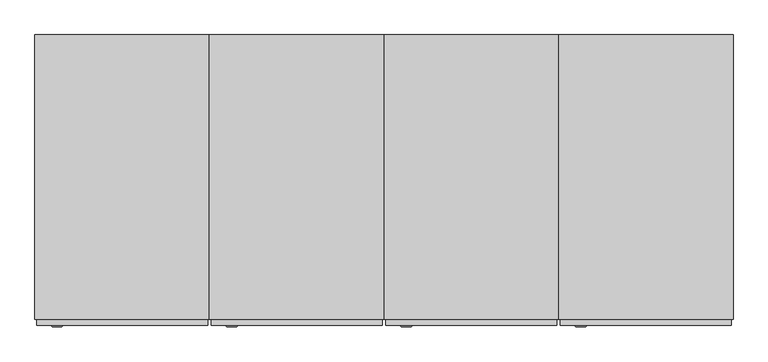
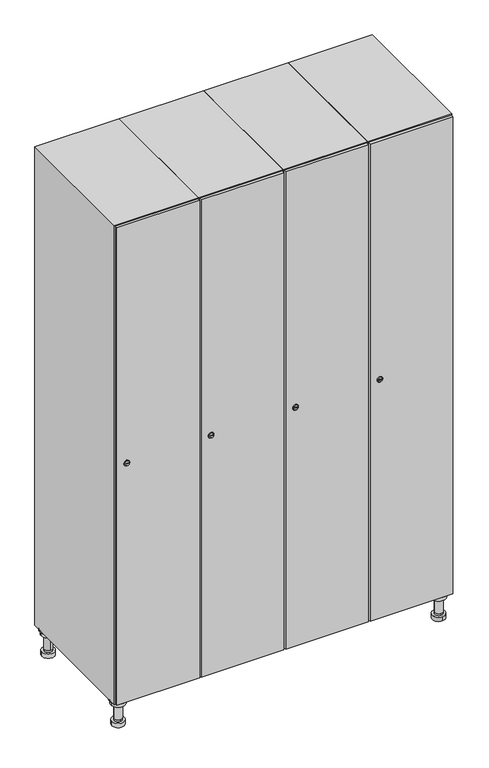
"""IFC4 building model written with IfcOpenShell, lengths in millimetres: furniture geometry."""

from ifc_helpers import new_model, si_unit, point, frame, frame_2d, origin, place, context, project, spatial, polyline, circle_curve, trimmed, segment, composite_curve, outline, extrude, faceted_brep, source, transform, mapped, element, save
from ifc_brep_helpers import plane_surface, cylinder_surface, revolved_surface, advanced_brep


def furniture_1c0e90e3(model_context):
    return source(origin(), model_context, "Body", "SolidModel", [
        advanced_brep(
        [(970.0, -201.0, 22.0), (970.0, -201.5, 16.0), (970.0, -228.5, 16.0), (970.0, -229.0, 22.0), (956.0, -215.0, 22.0), (984.0, -215.0, 22.0), (970.0, -192.5, 16.0), (970.0, -237.5, 16.0), (970.0, -192.5, 0.0), (970.0, -237.5, 0.0), (984.0, -215.0, 78.0), (956.0, -215.0, 78.0), (995.0, -215.0, 78.0), (945.0, -215.0, 78.0), (1000.0, -215.0, 94.0), (940.0, -215.0, 94.0), (945.0, -215.0, 94.0), (995.0, -215.0, 94.0), (1000.0, -215.0, 100.0), (940.0, -215.0, 100.0)],
        [
            (0, 1),
            (1, 2, circle_curve(frame((970.0, -215.0, 16.0), z_axis=(0.0, 0.0, 1.0), x_axis=(0.0, -1.0, 0.0)), 13.5)),
            (2, 3),
            (3, 4, circle_curve(frame((970.0, -215.0, 22.0), z_axis=(0.0, 0.0, -1.0), x_axis=(0.0, -1.0, 0.0)), 14.0)),
            (4, 0, circle_curve(frame((970.0, -215.0, 22.0), z_axis=(0.0, 0.0, -1.0), x_axis=(0.0, -1.0, 0.0)), 14.0)),
            (0, 5, circle_curve(frame((970.0, -215.0, 22.0), z_axis=(0.0, 0.0, -1.0), x_axis=(0.0, 1.0, 0.0)), 14.0)),
            (5, 3, circle_curve(frame((970.0, -215.0, 22.0), z_axis=(0.0, 0.0, -1.0), x_axis=(0.0, 1.0, 0.0)), 14.0)),
            (2, 1, circle_curve(frame((970.0, -215.0, 16.0), z_axis=(0.0, 0.0, 1.0), x_axis=(0.0, 1.0, 0.0)), 13.5)),
            (6, 7, circle_curve(frame((970.0, -215.0, 16.0), z_axis=(0.0, 0.0, 1.0), x_axis=(0.0, -1.0, 0.0)), 22.5)),
            (7, 6, circle_curve(frame((970.0, -215.0, 16.0), z_axis=(0.0, 0.0, 1.0), x_axis=(0.0, -1.0, 0.0)), 22.5)),
            (8, 9, circle_curve(frame((970.0, -215.0, 0.0), z_axis=(0.0, 0.0, -1.0), x_axis=(0.0, -1.0, 0.0)), 22.5)),
            (9, 8, circle_curve(frame((970.0, -215.0, 0.0), z_axis=(0.0, 0.0, -1.0), x_axis=(0.0, -1.0, 0.0)), 22.5)),
            (6, 8),
            (9, 7),
            (5, 10),
            (10, 11, circle_curve(frame((970.0, -215.0, 78.0), z_axis=(0.0, 0.0, -1.0), x_axis=(-1.0, 0.0, 0.0)), 14.0)),
            (11, 4),
            (11, 10, circle_curve(frame((970.0, -215.0, 78.0), z_axis=(0.0, 0.0, -1.0), x_axis=(-1.0, 0.0, 0.0)), 14.0)),
            (12, 13, circle_curve(frame((970.0, -215.0, 78.0), z_axis=(0.0, 0.0, -1.0), x_axis=(-1.0, 0.0, 0.0)), 25.0)),
            (13, 12, circle_curve(frame((970.0, -215.0, 78.0), z_axis=(0.0, 0.0, -1.0), x_axis=(-1.0, 0.0, 0.0)), 25.0)),
            (14, 15, circle_curve(frame((970.0, -215.0, 94.0), z_axis=(0.0, 0.0, -1.0), x_axis=(-1.0, 0.0, 0.0)), 30.0)),
            (15, 14, circle_curve(frame((970.0, -215.0, 94.0), z_axis=(0.0, 0.0, -1.0), x_axis=(-1.0, 0.0, 0.0)), 30.0)),
            (16, 17, circle_curve(frame((970.0, -215.0, 94.0), z_axis=(0.0, 0.0, 1.0), x_axis=(-1.0, 0.0, 0.0)), 25.0)),
            (17, 16, circle_curve(frame((970.0, -215.0, 94.0), z_axis=(0.0, 0.0, 1.0), x_axis=(-1.0, 0.0, 0.0)), 25.0)),
            (18, 19, circle_curve(frame((970.0, -215.0, 100.0), z_axis=(0.0, 0.0, 1.0), x_axis=(-1.0, 0.0, 0.0)), 30.0)),
            (19, 18, circle_curve(frame((970.0, -215.0, 100.0), z_axis=(0.0, 0.0, 1.0), x_axis=(-1.0, 0.0, 0.0)), 30.0)),
            (14, 18),
            (19, 15),
            (12, 17),
            (16, 13),
        ],
        [
            revolved_surface(polyline([(970.0, -201.5, 16.0), (970.0, -201.0, 22.0)]), (970.0, -215.0, -146.0), (0.0, 0.0, 1.0)),
            plane_surface(frame((970.0, 0.0, 16.0), z_axis=(0.0, 0.0, 1.0), x_axis=(0.0, -1.0, 0.0))),
            plane_surface(frame((970.0, 0.0, 0.0), z_axis=(0.0, 0.0, -1.0), x_axis=(0.0, -1.0, 0.0))),
            cylinder_surface(frame((970.0, -215.0, 16.0), z_axis=(0.0, 0.0, 1.0), x_axis=(0.0, -1.0, 0.0)), 22.5),
            cylinder_surface(frame((970.0, -215.0, 22.0), z_axis=(0.0, 0.0, -1.0), x_axis=(-1.0, 0.0, 0.0)), 14.0),
            plane_surface(frame((970.0, 0.0, 78.0), z_axis=(0.0, 0.0, -1.0), x_axis=(0.0, -1.0, 0.0))),
            plane_surface(frame((970.0, 0.0, 94.0), z_axis=(0.0, 0.0, -1.0), x_axis=(0.0, -1.0, 0.0))),
            plane_surface(frame((970.0, 0.0, 100.0), z_axis=(0.0, 0.0, 1.0), x_axis=(0.0, -1.0, 0.0))),
            cylinder_surface(frame((970.0, -215.0, 94.0), z_axis=(0.0, 0.0, -1.0), x_axis=(-1.0, 0.0, 0.0)), 30.0),
            cylinder_surface(frame((970.0, -215.0, 78.0), z_axis=(0.0, 0.0, -1.0), x_axis=(-1.0, 0.0, 0.0)), 25.0),
        ],
        [
            (0, [[1, 2, 3, 4, 5]]),
            (0, [[-1, 6, 7, -3, 8]]),
            (1, [[9, 10], [-2, -8]]),
            (2, [[11, 12]]),
            (3, [[-9, 13, -12, 14]]),
            (3, [[-10, -14, -11, -13]]),
            (4, [[15, 16, 17, -4, -7]]),
            (4, [[-15, -6, -5, -17, 18]]),
            (5, [[19, 20], [-16, -18]]),
            (6, [[21, 22], [23, 24]]),
            (7, [[25, 26]]),
            (8, [[-21, 27, -26, 28]]),
            (8, [[-22, -28, -25, -27]]),
            (9, [[-19, 29, -23, 30]]),
            (9, [[-20, -30, -24, -29]]),
        ],
    ),
        advanced_brep(
        [(-170.0, -201.0, 22.0), (-170.0, -201.5, 16.0), (-170.0, -228.5, 16.0), (-170.0, -229.0, 22.0), (-184.0, -215.0, 22.0), (-156.0, -215.0, 22.0), (-147.5, -215.0, 0.0), (-192.5, -215.0, 0.0), (-147.5, -215.0, 16.0), (-192.5, -215.0, 16.0), (-156.0, -215.0, 78.0), (-184.0, -215.0, 78.0), (-145.0, -215.0, 78.0), (-195.0, -215.0, 78.0), (-140.0, -215.0, 94.0), (-200.0, -215.0, 94.0), (-195.0, -215.0, 94.0), (-145.0, -215.0, 94.0), (-140.0, -215.0, 100.0), (-200.0, -215.0, 100.0)],
        [
            (0, 1),
            (1, 2, circle_curve(frame((-170.0, -215.0, 16.0), z_axis=(0.0, 0.0, 1.0), x_axis=(0.0, -1.0, 0.0)), 13.5)),
            (2, 3),
            (3, 4, circle_curve(frame((-170.0, -215.0, 22.0), z_axis=(0.0, 0.0, -1.0), x_axis=(0.0, -1.0, 0.0)), 14.0)),
            (4, 0, circle_curve(frame((-170.0, -215.0, 22.0), z_axis=(0.0, 0.0, -1.0), x_axis=(0.0, -1.0, 0.0)), 14.0)),
            (0, 5, circle_curve(frame((-170.0, -215.0, 22.0), z_axis=(0.0, 0.0, -1.0), x_axis=(0.0, 1.0, 0.0)), 14.0)),
            (5, 3, circle_curve(frame((-170.0, -215.0, 22.0), z_axis=(0.0, 0.0, -1.0), x_axis=(0.0, 1.0, 0.0)), 14.0)),
            (2, 1, circle_curve(frame((-170.0, -215.0, 16.0), z_axis=(0.0, 0.0, 1.0), x_axis=(0.0, 1.0, 0.0)), 13.5)),
            (6, 7, circle_curve(frame((-170.0, -215.0, 0.0), z_axis=(0.0, 0.0, -1.0), x_axis=(-1.0, 0.0, 0.0)), 22.5)),
            (7, 6, circle_curve(frame((-170.0, -215.0, 0.0), z_axis=(0.0, 0.0, -1.0), x_axis=(-1.0, 0.0, 0.0)), 22.5)),
            (8, 9, circle_curve(frame((-170.0, -215.0, 16.0), z_axis=(0.0, 0.0, 1.0), x_axis=(-1.0, 0.0, 0.0)), 22.5)),
            (9, 8, circle_curve(frame((-170.0, -215.0, 16.0), z_axis=(0.0, 0.0, 1.0), x_axis=(-1.0, 0.0, 0.0)), 22.5)),
            (6, 8),
            (9, 7),
            (5, 10),
            (10, 11, circle_curve(frame((-170.0, -215.0, 78.0), z_axis=(0.0, 0.0, -1.0), x_axis=(-1.0, 0.0, 0.0)), 14.0)),
            (11, 4),
            (11, 10, circle_curve(frame((-170.0, -215.0, 78.0), z_axis=(0.0, 0.0, -1.0), x_axis=(-1.0, 0.0, 0.0)), 14.0)),
            (12, 13, circle_curve(frame((-170.0, -215.0, 78.0), z_axis=(0.0, 0.0, -1.0), x_axis=(-1.0, 0.0, 0.0)), 25.0)),
            (13, 12, circle_curve(frame((-170.0, -215.0, 78.0), z_axis=(0.0, 0.0, -1.0), x_axis=(-1.0, 0.0, 0.0)), 25.0)),
            (14, 15, circle_curve(frame((-170.0, -215.0, 94.0), z_axis=(0.0, 0.0, -1.0), x_axis=(-1.0, 0.0, 0.0)), 30.0)),
            (15, 14, circle_curve(frame((-170.0, -215.0, 94.0), z_axis=(0.0, 0.0, -1.0), x_axis=(-1.0, 0.0, 0.0)), 30.0)),
            (16, 17, circle_curve(frame((-170.0, -215.0, 94.0), z_axis=(0.0, 0.0, 1.0), x_axis=(-1.0, 0.0, 0.0)), 25.0)),
            (17, 16, circle_curve(frame((-170.0, -215.0, 94.0), z_axis=(0.0, 0.0, 1.0), x_axis=(-1.0, 0.0, 0.0)), 25.0)),
            (18, 19, circle_curve(frame((-170.0, -215.0, 100.0), z_axis=(0.0, 0.0, 1.0), x_axis=(-1.0, 0.0, 0.0)), 30.0)),
            (19, 18, circle_curve(frame((-170.0, -215.0, 100.0), z_axis=(0.0, 0.0, 1.0), x_axis=(-1.0, 0.0, 0.0)), 30.0)),
            (14, 18),
            (19, 15),
            (12, 17),
            (16, 13),
        ],
        [
            revolved_surface(polyline([(-170.0, -201.5, 16.0), (-170.0, -201.0, 22.0)]), (-170.0, -215.0, -146.0), (0.0, 0.0, 1.0)),
            plane_surface(frame((-170.0, 0.0, 0.0), z_axis=(0.0, 0.0, -1.0), x_axis=(0.0, -1.0, 0.0))),
            plane_surface(frame((-170.0, 0.0, 16.0), z_axis=(0.0, 0.0, 1.0), x_axis=(0.0, -1.0, 0.0))),
            cylinder_surface(frame((-170.0, -215.0, 0.0), z_axis=(0.0, 0.0, -1.0), x_axis=(-1.0, 0.0, 0.0)), 22.5),
            cylinder_surface(frame((-170.0, -215.0, 22.0), z_axis=(0.0, 0.0, -1.0), x_axis=(-1.0, 0.0, 0.0)), 14.0),
            plane_surface(frame((-170.0, 0.0, 78.0), z_axis=(0.0, 0.0, -1.0), x_axis=(0.0, -1.0, 0.0))),
            plane_surface(frame((-170.0, 0.0, 94.0), z_axis=(0.0, 0.0, -1.0), x_axis=(0.0, -1.0, 0.0))),
            plane_surface(frame((-170.0, 0.0, 100.0), z_axis=(0.0, 0.0, 1.0), x_axis=(0.0, -1.0, 0.0))),
            cylinder_surface(frame((-170.0, -215.0, 94.0), z_axis=(0.0, 0.0, -1.0), x_axis=(-1.0, 0.0, 0.0)), 30.0),
            cylinder_surface(frame((-170.0, -215.0, 78.0), z_axis=(0.0, 0.0, -1.0), x_axis=(-1.0, 0.0, 0.0)), 25.0),
        ],
        [
            (0, [[1, 2, 3, 4, 5]]),
            (0, [[-1, 6, 7, -3, 8]]),
            (1, [[9, 10]]),
            (2, [[11, 12], [-2, -8]]),
            (3, [[-9, 13, -12, 14]]),
            (3, [[-10, -14, -11, -13]]),
            (4, [[15, 16, 17, -4, -7]]),
            (4, [[-15, -6, -5, -17, 18]]),
            (5, [[19, 20], [-16, -18]]),
            (6, [[21, 22], [23, 24]]),
            (7, [[25, 26]]),
            (8, [[-21, 27, -26, 28]]),
            (8, [[-22, -28, -25, -27]]),
            (9, [[-19, 29, -23, 30]]),
            (9, [[-20, -30, -24, -29]]),
        ],
    ),
        advanced_brep(
        [(983.5, 215.0, 16.0), (984.0, 215.0, 22.0), (956.0, 215.0, 22.0), (956.5, 215.0, 16.0), (992.5, 215.0, 0.0), (947.5, 215.0, 0.0), (992.5, 215.0, 16.0), (947.5, 215.0, 16.0), (984.0, 215.0, 78.0), (956.0, 215.0, 78.0), (995.0, 215.0, 78.0), (945.0, 215.0, 78.0), (1000.0, 215.0, 94.0), (940.0, 215.0, 94.0), (945.0, 215.0, 94.0), (995.0, 215.0, 94.0), (1000.0, 215.0, 100.0), (940.0, 215.0, 100.0)],
        [
            (0, 1),
            (1, 2, circle_curve(frame((970.0, 215.0, 22.0), z_axis=(0.0, 0.0, -1.0), x_axis=(-1.0, 0.0, 0.0)), 14.0)),
            (2, 3),
            (3, 0, circle_curve(frame((970.0, 215.0, 16.0), z_axis=(0.0, 0.0, 1.0), x_axis=(-1.0, 0.0, 0.0)), 13.5)),
            (0, 3, circle_curve(frame((970.0, 215.0, 16.0), z_axis=(0.0, 0.0, 1.0), x_axis=(1.0, 0.0, 0.0)), 13.5)),
            (2, 1, circle_curve(frame((970.0, 215.0, 22.0), z_axis=(0.0, 0.0, -1.0), x_axis=(1.0, 0.0, 0.0)), 14.0)),
            (4, 5, circle_curve(frame((970.0, 215.0, 0.0), z_axis=(0.0, 0.0, -1.0), x_axis=(-1.0, 0.0, 0.0)), 22.5)),
            (5, 4, circle_curve(frame((970.0, 215.0, 0.0), z_axis=(0.0, 0.0, -1.0), x_axis=(-1.0, 0.0, 0.0)), 22.5)),
            (6, 7, circle_curve(frame((970.0, 215.0, 16.0), z_axis=(0.0, 0.0, 1.0), x_axis=(-1.0, 0.0, 0.0)), 22.5)),
            (7, 6, circle_curve(frame((970.0, 215.0, 16.0), z_axis=(0.0, 0.0, 1.0), x_axis=(-1.0, 0.0, 0.0)), 22.5)),
            (4, 6),
            (7, 5),
            (1, 8),
            (8, 9, circle_curve(frame((970.0, 215.0, 78.0), z_axis=(0.0, 0.0, -1.0), x_axis=(-1.0, 0.0, 0.0)), 14.0)),
            (9, 2),
            (9, 8, circle_curve(frame((970.0, 215.0, 78.0), z_axis=(0.0, 0.0, -1.0), x_axis=(-1.0, 0.0, 0.0)), 14.0)),
            (10, 11, circle_curve(frame((970.0, 215.0, 78.0), z_axis=(0.0, 0.0, -1.0), x_axis=(-1.0, 0.0, 0.0)), 25.0)),
            (11, 10, circle_curve(frame((970.0, 215.0, 78.0), z_axis=(0.0, 0.0, -1.0), x_axis=(-1.0, 0.0, 0.0)), 25.0)),
            (12, 13, circle_curve(frame((970.0, 215.0, 94.0), z_axis=(0.0, 0.0, -1.0), x_axis=(-1.0, 0.0, 0.0)), 30.0)),
            (13, 12, circle_curve(frame((970.0, 215.0, 94.0), z_axis=(0.0, 0.0, -1.0), x_axis=(-1.0, 0.0, 0.0)), 30.0)),
            (14, 15, circle_curve(frame((970.0, 215.0, 94.0), z_axis=(0.0, 0.0, 1.0), x_axis=(-1.0, 0.0, 0.0)), 25.0)),
            (15, 14, circle_curve(frame((970.0, 215.0, 94.0), z_axis=(0.0, 0.0, 1.0), x_axis=(-1.0, 0.0, 0.0)), 25.0)),
            (16, 17, circle_curve(frame((970.0, 215.0, 100.0), z_axis=(0.0, 0.0, 1.0), x_axis=(-1.0, 0.0, 0.0)), 30.0)),
            (17, 16, circle_curve(frame((970.0, 215.0, 100.0), z_axis=(0.0, 0.0, 1.0), x_axis=(-1.0, 0.0, 0.0)), 30.0)),
            (12, 16),
            (17, 13),
            (10, 15),
            (14, 11),
        ],
        [
            revolved_surface(polyline([(983.5, 215.0, 16.0), (984.0, 215.0, 22.0)]), (970.0, 215.0, -146.0), (0.0, 0.0, 1.0)),
            plane_surface(frame((970.0, 0.0, 0.0), z_axis=(0.0, 0.0, -1.0), x_axis=(0.0, -1.0, 0.0))),
            plane_surface(frame((970.0, 0.0, 16.0), z_axis=(0.0, 0.0, 1.0), x_axis=(0.0, -1.0, 0.0))),
            cylinder_surface(frame((970.0, 215.0, 0.0), z_axis=(0.0, 0.0, -1.0), x_axis=(-1.0, 0.0, 0.0)), 22.5),
            cylinder_surface(frame((970.0, 215.0, 22.0), z_axis=(0.0, 0.0, -1.0), x_axis=(-1.0, 0.0, 0.0)), 14.0),
            plane_surface(frame((970.0, 0.0, 78.0), z_axis=(0.0, 0.0, -1.0), x_axis=(0.0, -1.0, 0.0))),
            plane_surface(frame((970.0, 0.0, 94.0), z_axis=(0.0, 0.0, -1.0), x_axis=(0.0, -1.0, 0.0))),
            plane_surface(frame((970.0, 0.0, 100.0), z_axis=(0.0, 0.0, 1.0), x_axis=(0.0, -1.0, 0.0))),
            cylinder_surface(frame((970.0, 215.0, 94.0), z_axis=(0.0, 0.0, -1.0), x_axis=(-1.0, 0.0, 0.0)), 30.0),
            cylinder_surface(frame((970.0, 215.0, 78.0), z_axis=(0.0, 0.0, -1.0), x_axis=(-1.0, 0.0, 0.0)), 25.0),
        ],
        [
            (0, [[1, 2, 3, 4]]),
            (0, [[-1, 5, -3, 6]]),
            (1, [[7, 8]]),
            (2, [[9, 10], [-4, -5]]),
            (3, [[-7, 11, -10, 12]]),
            (3, [[-8, -12, -9, -11]]),
            (4, [[13, 14, 15, -2]]),
            (4, [[-13, -6, -15, 16]]),
            (5, [[17, 18], [-14, -16]]),
            (6, [[19, 20], [21, 22]]),
            (7, [[23, 24]]),
            (8, [[-19, 25, -24, 26]]),
            (8, [[-20, -26, -23, -25]]),
            (9, [[-17, 27, -21, 28]]),
            (9, [[-18, -28, -22, -27]]),
        ],
    ),
        advanced_brep(
        [(-156.5, 215.0, 16.0), (-156.0, 215.0, 22.0), (-170.0, 201.0, 22.0), (-184.0, 215.0, 22.0), (-183.5, 215.0, 16.0), (-170.0, 229.0, 22.0), (-147.5, 215.0, 0.0), (-192.5, 215.0, 0.0), (-147.5, 215.0, 16.0), (-192.5, 215.0, 16.0), (-170.0, 229.0, 78.0), (-170.0, 201.0, 78.0), (-145.0, 215.0, 78.0), (-195.0, 215.0, 78.0), (-140.0, 215.0, 94.0), (-200.0, 215.0, 94.0), (-195.0, 215.0, 94.0), (-145.0, 215.0, 94.0), (-140.0, 215.0, 100.0), (-200.0, 215.0, 100.0)],
        [
            (0, 1),
            (1, 2, circle_curve(frame((-170.0, 215.0, 22.0), z_axis=(0.0, 0.0, -1.0), x_axis=(-1.0, 0.0, 0.0)), 14.0)),
            (2, 3, circle_curve(frame((-170.0, 215.0, 22.0), z_axis=(0.0, 0.0, -1.0), x_axis=(-1.0, 0.0, 0.0)), 14.0)),
            (3, 4),
            (4, 0, circle_curve(frame((-170.0, 215.0, 16.0), z_axis=(0.0, 0.0, 1.0), x_axis=(-1.0, 0.0, 0.0)), 13.5)),
            (0, 4, circle_curve(frame((-170.0, 215.0, 16.0), z_axis=(0.0, 0.0, 1.0), x_axis=(1.0, 0.0, 0.0)), 13.5)),
            (3, 5, circle_curve(frame((-170.0, 215.0, 22.0), z_axis=(0.0, 0.0, -1.0), x_axis=(1.0, 0.0, 0.0)), 14.0)),
            (5, 1, circle_curve(frame((-170.0, 215.0, 22.0), z_axis=(0.0, 0.0, -1.0), x_axis=(1.0, 0.0, 0.0)), 14.0)),
            (6, 7, circle_curve(frame((-170.0, 215.0, 0.0), z_axis=(0.0, 0.0, -1.0), x_axis=(-1.0, 0.0, 0.0)), 22.5)),
            (7, 6, circle_curve(frame((-170.0, 215.0, 0.0), z_axis=(0.0, 0.0, -1.0), x_axis=(-1.0, 0.0, 0.0)), 22.5)),
            (8, 9, circle_curve(frame((-170.0, 215.0, 16.0), z_axis=(0.0, 0.0, 1.0), x_axis=(-1.0, 0.0, 0.0)), 22.5)),
            (9, 8, circle_curve(frame((-170.0, 215.0, 16.0), z_axis=(0.0, 0.0, 1.0), x_axis=(-1.0, 0.0, 0.0)), 22.5)),
            (6, 8),
            (9, 7),
            (10, 5),
            (2, 11),
            (11, 10, circle_curve(frame((-170.0, 215.0, 78.0), z_axis=(0.0, 0.0, -1.0), x_axis=(0.0, -1.0, 0.0)), 14.0)),
            (10, 11, circle_curve(frame((-170.0, 215.0, 78.0), z_axis=(0.0, 0.0, -1.0), x_axis=(0.0, -1.0, 0.0)), 14.0)),
            (12, 13, circle_curve(frame((-170.0, 215.0, 78.0), z_axis=(0.0, 0.0, -1.0), x_axis=(-1.0, 0.0, 0.0)), 25.0)),
            (13, 12, circle_curve(frame((-170.0, 215.0, 78.0), z_axis=(0.0, 0.0, -1.0), x_axis=(-1.0, 0.0, 0.0)), 25.0)),
            (14, 15, circle_curve(frame((-170.0, 215.0, 94.0), z_axis=(0.0, 0.0, -1.0), x_axis=(-1.0, 0.0, 0.0)), 30.0)),
            (15, 14, circle_curve(frame((-170.0, 215.0, 94.0), z_axis=(0.0, 0.0, -1.0), x_axis=(-1.0, 0.0, 0.0)), 30.0)),
            (16, 17, circle_curve(frame((-170.0, 215.0, 94.0), z_axis=(0.0, 0.0, 1.0), x_axis=(-1.0, 0.0, 0.0)), 25.0)),
            (17, 16, circle_curve(frame((-170.0, 215.0, 94.0), z_axis=(0.0, 0.0, 1.0), x_axis=(-1.0, 0.0, 0.0)), 25.0)),
            (18, 19, circle_curve(frame((-170.0, 215.0, 100.0), z_axis=(0.0, 0.0, 1.0), x_axis=(-1.0, 0.0, 0.0)), 30.0)),
            (19, 18, circle_curve(frame((-170.0, 215.0, 100.0), z_axis=(0.0, 0.0, 1.0), x_axis=(-1.0, 0.0, 0.0)), 30.0)),
            (14, 18),
            (19, 15),
            (12, 17),
            (16, 13),
        ],
        [
            revolved_surface(polyline([(-156.5, 215.0, 16.0), (-156.0, 215.0, 22.0)]), (-170.0, 215.0, -146.0), (0.0, 0.0, 1.0)),
            plane_surface(frame((-170.0, 0.0, 0.0), z_axis=(0.0, 0.0, -1.0), x_axis=(0.0, -1.0, 0.0))),
            plane_surface(frame((-170.0, 0.0, 16.0), z_axis=(0.0, 0.0, 1.0), x_axis=(0.0, -1.0, 0.0))),
            cylinder_surface(frame((-170.0, 215.0, 0.0), z_axis=(0.0, 0.0, -1.0), x_axis=(-1.0, 0.0, 0.0)), 22.5),
            cylinder_surface(frame((-170.0, 215.0, 78.0), z_axis=(0.0, 0.0, 1.0), x_axis=(0.0, -1.0, 0.0)), 14.0),
            plane_surface(frame((-170.0, 0.0, 78.0), z_axis=(0.0, 0.0, -1.0), x_axis=(0.0, -1.0, 0.0))),
            plane_surface(frame((-170.0, 0.0, 94.0), z_axis=(0.0, 0.0, -1.0), x_axis=(0.0, -1.0, 0.0))),
            plane_surface(frame((-170.0, 0.0, 100.0), z_axis=(0.0, 0.0, 1.0), x_axis=(0.0, -1.0, 0.0))),
            cylinder_surface(frame((-170.0, 215.0, 94.0), z_axis=(0.0, 0.0, -1.0), x_axis=(-1.0, 0.0, 0.0)), 30.0),
            cylinder_surface(frame((-170.0, 215.0, 78.0), z_axis=(0.0, 0.0, -1.0), x_axis=(-1.0, 0.0, 0.0)), 25.0),
        ],
        [
            (0, [[1, 2, 3, 4, 5]]),
            (0, [[-1, 6, -4, 7, 8]]),
            (1, [[9, 10]]),
            (2, [[11, 12], [-5, -6]]),
            (3, [[-9, 13, -12, 14]]),
            (3, [[-10, -14, -11, -13]]),
            (4, [[15, -7, -3, 16, 17]]),
            (4, [[-15, 18, -16, -2, -8]]),
            (5, [[19, 20], [-17, -18]]),
            (6, [[21, 22], [23, 24]]),
            (7, [[25, 26]]),
            (8, [[-21, 27, -26, 28]]),
            (8, [[-22, -28, -25, -27]]),
            (9, [[-19, 29, -23, 30]]),
            (9, [[-20, -30, -24, -29]]),
        ],
    ),
        extrude(outline(composite_curve([segment(trimmed(circle_curve(frame_2d((1000.0, 711.2010534)), 7.0), [point((1007.0, 711.2010534))], [point((993.0, 711.2010534))], False, "CARTESIAN"), True, "CONTINUOUS"), segment(polyline([(993.0, 711.2010534), (993.0, 739.2010534)]), True, "CONTINUOUS"), segment(trimmed(circle_curve(frame_2d((1000.0, 739.2010534)), 7.0), [point((993.0, 739.2010534))], [point((1007.0, 739.2010534))], False, "CARTESIAN"), True, "CONTINUOUS"), segment(polyline([(1007.0, 739.2010534), (1007.0, 711.2010534)]), True, "CONTINUOUS")], self_intersect=False)), frame((0.0, -245.0, 0.0), z_axis=(0.0, 1.0, 0.0), x_axis=(0.0, 0.0, 1.0)), (0.0, 0.0, 1.0), 2.0),
        advanced_brep(
        [(746.5, -257.2, 1000.0), (729.5, -257.2, 1000.0), (733.0, -257.2, 998.75), (733.0, -257.2, 1001.25), (743.0, -257.2, 1001.25), (743.0, -257.2, 998.75), (748.5, -255.0, 1000.0), (727.5, -255.0, 1000.0), (733.0, -255.0, 1001.25), (733.0, -255.0, 998.75), (743.0, -255.0, 998.75), (743.0, -255.0, 1001.25)],
        [
            (0, 1, circle_curve(frame((738.0, -257.2, 1000.0), z_axis=(0.0, -1.0, 0.0), x_axis=(1.0, 0.0, 0.0)), 8.5)),
            (1, 0, circle_curve(frame((738.0, -257.2, 1000.0), z_axis=(0.0, -1.0, 0.0), x_axis=(-1.0, 0.0, 0.0)), 8.5)),
            (2, 3),
            (3, 4),
            (4, 5),
            (5, 2),
            (6, 7, circle_curve(frame((738.0, -255.0, 1000.0), z_axis=(0.0, 1.0, 0.0), x_axis=(-1.0, 0.0, 0.0)), 10.5)),
            (7, 6, circle_curve(frame((738.0, -255.0, 1000.0), z_axis=(0.0, 1.0, 0.0), x_axis=(1.0, 0.0, 0.0)), 10.5)),
            (8, 9),
            (9, 10),
            (10, 11),
            (11, 8),
            (0, 6),
            (7, 1),
            (8, 3),
            (2, 9),
            (11, 4),
            (10, 5),
        ],
        [
            plane_surface(frame((738.0, -257.2, 1000.0), z_axis=(0.0, -1.0, 0.0), x_axis=(0.0, 0.0, 1.0))),
            plane_surface(frame((738.0, -255.0, 1000.0), z_axis=(0.0, 1.0, 0.0), x_axis=(0.0, 0.0, 1.0))),
            revolved_surface(polyline([(746.5, -257.2, 1000.0), (748.5, -255.0, 1000.0)]), (738.0, -266.55, 1000.0), (0.0, 1.0, 0.0)),
            revolved_surface(polyline([(729.5, -257.2, 1000.0), (727.5, -255.0, 1000.0)]), (738.0, -266.55, 1000.0), (0.0, 1.0, 0.0)),
            plane_surface(frame((733.0, -255.0, 998.75), z_axis=(1.0, 0.0, 0.0), x_axis=(0.0, -1.0, 0.0))),
            plane_surface(frame((733.0, -255.0, 1001.25), z_axis=(0.0, 0.0, -1.0), x_axis=(0.0, -1.0, 0.0))),
            plane_surface(frame((743.0, -255.0, 1001.25), z_axis=(-1.0, 0.0, 0.0), x_axis=(0.0, -1.0, 0.0))),
            plane_surface(frame((743.0, -255.0, 998.75), z_axis=(0.0, 0.0, 1.0), x_axis=(0.0, -1.0, 0.0))),
        ],
        [
            (0, [[1, 2], [3, 4, 5, 6]]),
            (1, [[7, 8], [9, 10, 11, 12]]),
            (2, [[-1, 13, -8, 14]]),
            (3, [[-2, -14, -7, -13]]),
            (4, [[15, -3, 16, -9]]),
            (5, [[-15, -12, 17, -4]]),
            (6, [[-17, -11, 18, -5]]),
            (7, [[-16, -6, -18, -10]]),
        ],
    ),
        extrude(outline(polyline([(997.0, -245.0), (997.0, -255.0), (703.0, -255.0), (703.0, -245.0), (997.0, -245.0)])), frame((0.0, 0.0, 103.0), z_axis=(0.0, 0.0, 1.0), x_axis=(1.0, 0.0, 0.0)), (0.0, 0.0, 1.0), 1794.0),
        faceted_brep([(1000.0, -245.0, 100.0), (1000.0, -245.0, 1900.0), (700.0, -245.0, 1900.0), (700.0, -245.0, 100.0), (990.0, -245.0, 1890.0), (990.0, -245.0, 110.0), (710.0, -245.0, 110.0), (710.0, -245.0, 1890.0), (1000.0, 245.0, 100.0), (700.0, 245.0, 100.0), (1000.0, 245.0, 1900.0), (700.0, 245.0, 1900.0), (990.0, 241.0, 1890.0), (990.0, 241.0, 110.0), (700.0, 245.0, 1890.0), (710.0, 241.0, 1890.0), (710.0, 241.0, 110.0)], [[[0, 1, 2, 3], [4, 5, 6, 7]], [[8, 0, 3, 9]], [[1, 0, 8, 10]], [[1, 10, 11, 2]], [[4, 12, 13, 5]], [[9, 3, 2, 11, 14]], [[10, 8, 9, 14, 11]], [[12, 15, 16, 13]], [[15, 7, 6, 16]], [[4, 7, 15, 12]], [[6, 5, 13, 16]]]),
        extrude(outline(composite_curve([segment(trimmed(circle_curve(frame_2d((1000.0, 411.2010534)), 7.0), [point((1007.0, 411.2010534))], [point((993.0, 411.2010534))], False, "CARTESIAN"), True, "CONTINUOUS"), segment(polyline([(993.0, 411.2010534), (993.0, 439.2010534)]), True, "CONTINUOUS"), segment(trimmed(circle_curve(frame_2d((1000.0, 439.2010534)), 7.0), [point((993.0, 439.2010534))], [point((1007.0, 439.2010534))], False, "CARTESIAN"), True, "CONTINUOUS"), segment(polyline([(1007.0, 439.2010534), (1007.0, 411.2010534)]), True, "CONTINUOUS")], self_intersect=False)), frame((0.0, -245.0, 0.0), z_axis=(0.0, 1.0, 0.0), x_axis=(0.0, 0.0, 1.0)), (0.0, 0.0, 1.0), 2.0),
        advanced_brep(
        [(446.5, -257.2, 1000.0), (429.5, -257.2, 1000.0), (433.0, -257.2, 998.75), (433.0, -257.2, 1001.25), (443.0, -257.2, 1001.25), (443.0, -257.2, 998.75), (448.5, -255.0, 1000.0), (427.5, -255.0, 1000.0), (433.0, -255.0, 1001.25), (433.0, -255.0, 998.75), (443.0, -255.0, 998.75), (443.0, -255.0, 1001.25)],
        [
            (0, 1, circle_curve(frame((438.0, -257.2, 1000.0), z_axis=(0.0, -1.0, 0.0), x_axis=(1.0, 0.0, 0.0)), 8.5)),
            (1, 0, circle_curve(frame((438.0, -257.2, 1000.0), z_axis=(0.0, -1.0, 0.0), x_axis=(-1.0, 0.0, 0.0)), 8.5)),
            (2, 3),
            (3, 4),
            (4, 5),
            (5, 2),
            (6, 7, circle_curve(frame((438.0, -255.0, 1000.0), z_axis=(0.0, 1.0, 0.0), x_axis=(-1.0, 0.0, 0.0)), 10.5)),
            (7, 6, circle_curve(frame((438.0, -255.0, 1000.0), z_axis=(0.0, 1.0, 0.0), x_axis=(1.0, 0.0, 0.0)), 10.5)),
            (8, 9),
            (9, 10),
            (10, 11),
            (11, 8),
            (0, 6),
            (7, 1),
            (8, 3),
            (2, 9),
            (11, 4),
            (10, 5),
        ],
        [
            plane_surface(frame((438.0, -257.2, 1000.0), z_axis=(0.0, -1.0, 0.0), x_axis=(0.0, 0.0, 1.0))),
            plane_surface(frame((438.0, -255.0, 1000.0), z_axis=(0.0, 1.0, 0.0), x_axis=(0.0, 0.0, 1.0))),
            revolved_surface(polyline([(446.5, -257.2, 1000.0), (448.5, -255.0, 1000.0)]), (438.0, -266.55, 1000.0), (0.0, 1.0, 0.0)),
            revolved_surface(polyline([(429.5, -257.2, 1000.0), (427.5, -255.0, 1000.0)]), (438.0, -266.55, 1000.0), (0.0, 1.0, 0.0)),
            plane_surface(frame((433.0, -255.0, 998.75), z_axis=(1.0, 0.0, 0.0), x_axis=(0.0, -1.0, 0.0))),
            plane_surface(frame((433.0, -255.0, 1001.25), z_axis=(0.0, 0.0, -1.0), x_axis=(0.0, -1.0, 0.0))),
            plane_surface(frame((443.0, -255.0, 1001.25), z_axis=(-1.0, 0.0, 0.0), x_axis=(0.0, -1.0, 0.0))),
            plane_surface(frame((443.0, -255.0, 998.75), z_axis=(0.0, 0.0, 1.0), x_axis=(0.0, -1.0, 0.0))),
        ],
        [
            (0, [[1, 2], [3, 4, 5, 6]]),
            (1, [[7, 8], [9, 10, 11, 12]]),
            (2, [[-1, 13, -8, 14]]),
            (3, [[-2, -14, -7, -13]]),
            (4, [[15, -3, 16, -9]]),
            (5, [[-15, -12, 17, -4]]),
            (6, [[-17, -11, 18, -5]]),
            (7, [[-16, -6, -18, -10]]),
        ],
    ),
        extrude(outline(polyline([(697.0, -245.0), (697.0, -255.0), (403.0, -255.0), (403.0, -245.0), (697.0, -245.0)])), frame((0.0, 0.0, 103.0), z_axis=(0.0, 0.0, 1.0), x_axis=(1.0, 0.0, 0.0)), (0.0, 0.0, 1.0), 1794.0),
        faceted_brep([(700.0, -245.0, 100.0), (700.0, -245.0, 1900.0), (400.0, -245.0, 1900.0), (400.0, -245.0, 100.0), (690.0, -245.0, 1890.0), (690.0, -245.0, 110.0), (410.0, -245.0, 110.0), (410.0, -245.0, 1890.0), (700.0, 245.0, 100.0), (400.0, 245.0, 100.0), (700.0, 245.0, 1900.0), (400.0, 245.0, 1900.0), (690.0, 241.0, 1890.0), (690.0, 241.0, 110.0), (400.0, 245.0, 1890.0), (410.0, 241.0, 1890.0), (410.0, 241.0, 110.0)], [[[0, 1, 2, 3], [4, 5, 6, 7]], [[8, 0, 3, 9]], [[1, 0, 8, 10]], [[1, 10, 11, 2]], [[4, 12, 13, 5]], [[9, 3, 2, 11, 14]], [[10, 8, 9, 14, 11]], [[12, 15, 16, 13]], [[15, 7, 6, 16]], [[4, 7, 15, 12]], [[6, 5, 13, 16]]]),
        extrude(outline(composite_curve([segment(trimmed(circle_curve(frame_2d((1000.0, 111.2010534)), 7.0), [point((1007.0, 111.2010534))], [point((993.0, 111.2010534))], False, "CARTESIAN"), True, "CONTINUOUS"), segment(polyline([(993.0, 111.2010534), (993.0, 139.2010534)]), True, "CONTINUOUS"), segment(trimmed(circle_curve(frame_2d((1000.0, 139.2010534)), 7.0), [point((993.0, 139.2010534))], [point((1007.0, 139.2010534))], False, "CARTESIAN"), True, "CONTINUOUS"), segment(polyline([(1007.0, 139.2010534), (1007.0, 111.2010534)]), True, "CONTINUOUS")], self_intersect=False)), frame((0.0, -245.0, 0.0), z_axis=(0.0, 1.0, 0.0), x_axis=(0.0, 0.0, 1.0)), (0.0, 0.0, 1.0), 2.0),
        advanced_brep(
        [(146.5, -257.2, 1000.0), (129.5, -257.2, 1000.0), (133.0, -257.2, 998.75), (133.0, -257.2, 1001.25), (143.0, -257.2, 1001.25), (143.0, -257.2, 998.75), (148.5, -255.0, 1000.0), (127.5, -255.0, 1000.0), (133.0, -255.0, 1001.25), (133.0, -255.0, 998.75), (143.0, -255.0, 998.75), (143.0, -255.0, 1001.25)],
        [
            (0, 1, circle_curve(frame((138.0, -257.2, 1000.0), z_axis=(0.0, -1.0, 0.0), x_axis=(1.0, 0.0, 0.0)), 8.5)),
            (1, 0, circle_curve(frame((138.0, -257.2, 1000.0), z_axis=(0.0, -1.0, 0.0), x_axis=(-1.0, 0.0, 0.0)), 8.5)),
            (2, 3),
            (3, 4),
            (4, 5),
            (5, 2),
            (6, 7, circle_curve(frame((138.0, -255.0, 1000.0), z_axis=(0.0, 1.0, 0.0), x_axis=(-1.0, 0.0, 0.0)), 10.5)),
            (7, 6, circle_curve(frame((138.0, -255.0, 1000.0), z_axis=(0.0, 1.0, 0.0), x_axis=(1.0, 0.0, 0.0)), 10.5)),
            (8, 9),
            (9, 10),
            (10, 11),
            (11, 8),
            (0, 6),
            (7, 1),
            (8, 3),
            (2, 9),
            (11, 4),
            (10, 5),
        ],
        [
            plane_surface(frame((138.0, -257.2, 1000.0), z_axis=(0.0, -1.0, 0.0), x_axis=(0.0, 0.0, 1.0))),
            plane_surface(frame((138.0, -255.0, 1000.0), z_axis=(0.0, 1.0, 0.0), x_axis=(0.0, 0.0, 1.0))),
            revolved_surface(polyline([(146.5, -257.2, 1000.0), (148.5, -255.0, 1000.0)]), (138.0, -266.55, 1000.0), (0.0, 1.0, 0.0)),
            revolved_surface(polyline([(129.5, -257.2, 1000.0), (127.5, -255.0, 1000.0)]), (138.0, -266.55, 1000.0), (0.0, 1.0, 0.0)),
            plane_surface(frame((133.0, -255.0, 998.75), z_axis=(1.0, 0.0, 0.0), x_axis=(0.0, -1.0, 0.0))),
            plane_surface(frame((133.0, -255.0, 1001.25), z_axis=(0.0, 0.0, -1.0), x_axis=(0.0, -1.0, 0.0))),
            plane_surface(frame((143.0, -255.0, 1001.25), z_axis=(-1.0, 0.0, 0.0), x_axis=(0.0, -1.0, 0.0))),
            plane_surface(frame((143.0, -255.0, 998.75), z_axis=(0.0, 0.0, 1.0), x_axis=(0.0, -1.0, 0.0))),
        ],
        [
            (0, [[1, 2], [3, 4, 5, 6]]),
            (1, [[7, 8], [9, 10, 11, 12]]),
            (2, [[-1, 13, -8, 14]]),
            (3, [[-2, -14, -7, -13]]),
            (4, [[15, -3, 16, -9]]),
            (5, [[-15, -12, 17, -4]]),
            (6, [[-17, -11, 18, -5]]),
            (7, [[-16, -6, -18, -10]]),
        ],
    ),
        extrude(outline(polyline([(397.0, -245.0), (397.0, -255.0), (103.0, -255.0), (103.0, -245.0), (397.0, -245.0)])), frame((0.0, 0.0, 103.0), z_axis=(0.0, 0.0, 1.0), x_axis=(1.0, 0.0, 0.0)), (0.0, 0.0, 1.0), 1794.0),
        faceted_brep([(400.0, -245.0, 100.0), (400.0, -245.0, 1900.0), (100.0, -245.0, 1900.0), (100.0, -245.0, 100.0), (390.0, -245.0, 1890.0), (390.0, -245.0, 110.0), (110.0, -245.0, 110.0), (110.0, -245.0, 1890.0), (400.0, 245.0, 100.0), (100.0, 245.0, 100.0), (400.0, 245.0, 1900.0), (100.0, 245.0, 1900.0), (390.0, 241.0, 1890.0), (390.0, 241.0, 110.0), (100.0, 245.0, 1890.0), (110.0, 241.0, 1890.0), (110.0, 241.0, 110.0)], [[[0, 1, 2, 3], [4, 5, 6, 7]], [[8, 0, 3, 9]], [[1, 0, 8, 10]], [[1, 10, 11, 2]], [[4, 12, 13, 5]], [[9, 3, 2, 11, 14]], [[10, 8, 9, 14, 11]], [[12, 15, 16, 13]], [[15, 7, 6, 16]], [[4, 7, 15, 12]], [[6, 5, 13, 16]]]),
        extrude(outline(composite_curve([segment(trimmed(circle_curve(frame_2d((1000.0, -188.7989466)), 7.0), [point((1007.0, -188.7989466))], [point((993.0, -188.7989466))], False, "CARTESIAN"), True, "CONTINUOUS"), segment(polyline([(993.0, -188.7989466), (993.0, -160.7989466)]), True, "CONTINUOUS"), segment(trimmed(circle_curve(frame_2d((1000.0, -160.7989466)), 7.0), [point((993.0, -160.7989466))], [point((1007.0, -160.7989466))], False, "CARTESIAN"), True, "CONTINUOUS"), segment(polyline([(1007.0, -160.7989466), (1007.0, -188.7989466)]), True, "CONTINUOUS")], self_intersect=False)), frame((0.0, -245.0, 0.0), z_axis=(0.0, 1.0, 0.0), x_axis=(0.0, 0.0, 1.0)), (0.0, 0.0, 1.0), 2.0),
        advanced_brep(
        [(-153.5, -257.2, 1000.0), (-170.5, -257.2, 1000.0), (-167.0, -257.2, 998.75), (-167.0, -257.2, 1001.25), (-157.0, -257.2, 1001.25), (-157.0, -257.2, 998.75), (-151.5, -255.0, 1000.0), (-172.5, -255.0, 1000.0), (-167.0, -255.0, 1001.25), (-167.0, -255.0, 998.75), (-157.0, -255.0, 998.75), (-157.0, -255.0, 1001.25)],
        [
            (0, 1, circle_curve(frame((-162.0, -257.2, 1000.0), z_axis=(0.0, -1.0, 0.0), x_axis=(1.0, 0.0, 0.0)), 8.5)),
            (1, 0, circle_curve(frame((-162.0, -257.2, 1000.0), z_axis=(0.0, -1.0, 0.0), x_axis=(-1.0, 0.0, 0.0)), 8.5)),
            (2, 3),
            (3, 4),
            (4, 5),
            (5, 2),
            (6, 7, circle_curve(frame((-162.0, -255.0, 1000.0), z_axis=(0.0, 1.0, 0.0), x_axis=(-1.0, 0.0, 0.0)), 10.5)),
            (7, 6, circle_curve(frame((-162.0, -255.0, 1000.0), z_axis=(0.0, 1.0, 0.0), x_axis=(1.0, 0.0, 0.0)), 10.5)),
            (8, 9),
            (9, 10),
            (10, 11),
            (11, 8),
            (0, 6),
            (7, 1),
            (8, 3),
            (2, 9),
            (11, 4),
            (10, 5),
        ],
        [
            plane_surface(frame((-162.0, -257.2, 1000.0), z_axis=(0.0, -1.0, 0.0), x_axis=(0.0, 0.0, 1.0))),
            plane_surface(frame((-162.0, -255.0, 1000.0), z_axis=(0.0, 1.0, 0.0), x_axis=(0.0, 0.0, 1.0))),
            revolved_surface(polyline([(-153.5, -257.2, 1000.0), (-151.5, -255.0, 1000.0)]), (-162.0, -266.55, 1000.0), (0.0, 1.0, 0.0)),
            revolved_surface(polyline([(-170.5, -257.2, 1000.0), (-172.5, -255.0, 1000.0)]), (-162.0, -266.55, 1000.0), (0.0, 1.0, 0.0)),
            plane_surface(frame((-167.0, -255.0, 998.75), z_axis=(1.0, 0.0, 0.0), x_axis=(0.0, -1.0, 0.0))),
            plane_surface(frame((-167.0, -255.0, 1001.25), z_axis=(0.0, 0.0, -1.0), x_axis=(0.0, -1.0, 0.0))),
            plane_surface(frame((-157.0, -255.0, 1001.25), z_axis=(-1.0, 0.0, 0.0), x_axis=(0.0, -1.0, 0.0))),
            plane_surface(frame((-157.0, -255.0, 998.75), z_axis=(0.0, 0.0, 1.0), x_axis=(0.0, -1.0, 0.0))),
        ],
        [
            (0, [[1, 2], [3, 4, 5, 6]]),
            (1, [[7, 8], [9, 10, 11, 12]]),
            (2, [[-1, 13, -8, 14]]),
            (3, [[-2, -14, -7, -13]]),
            (4, [[15, -3, 16, -9]]),
            (5, [[-15, -12, 17, -4]]),
            (6, [[-17, -11, 18, -5]]),
            (7, [[-16, -6, -18, -10]]),
        ],
    ),
        extrude(outline(polyline([(97.0, -245.0), (97.0, -255.0), (-197.0, -255.0), (-197.0, -245.0), (97.0, -245.0)])), frame((0.0, 0.0, 103.0), z_axis=(0.0, 0.0, 1.0), x_axis=(1.0, 0.0, 0.0)), (0.0, 0.0, 1.0), 1794.0),
        faceted_brep([(100.0, -245.0, 100.0), (100.0, -245.0, 1900.0), (-200.0, -245.0, 1900.0), (-200.0, -245.0, 100.0), (90.0, -245.0, 1890.0), (90.0, -245.0, 110.0), (-190.0, -245.0, 110.0), (-190.0, -245.0, 1890.0), (100.0, 245.0, 100.0), (-200.0, 245.0, 100.0), (100.0, 245.0, 1900.0), (-200.0, 245.0, 1900.0), (90.0, 241.0, 1890.0), (90.0, 241.0, 110.0), (-200.0, 245.0, 1890.0), (-190.0, 241.0, 1890.0), (-190.0, 241.0, 110.0)], [[[0, 1, 2, 3], [4, 5, 6, 7]], [[8, 0, 3, 9]], [[1, 0, 8, 10]], [[1, 10, 11, 2]], [[4, 12, 13, 5]], [[9, 3, 2, 11, 14]], [[10, 8, 9, 14, 11]], [[12, 15, 16, 13]], [[15, 7, 6, 16]], [[4, 7, 15, 12]], [[6, 5, 13, 16]]]),
    ])


if __name__ == "__main__":
    model = new_model("IFC4")
    model_context = context("Model", 3, world=origin())
    ifc_project = project(units=[si_unit("LENGTHUNIT", "METRE", prefix="MILLI")], contexts=[model_context])
    site = spatial("IfcSite", under=ifc_project)
    building = spatial("IfcBuilding", under=site)
    placement = place(None, origin())
    furniture_shape = furniture_1c0e90e3(model_context)
    element("IfcFurniture", 1, at=placement, inside=building, context=model_context, shape_type="MappedRepresentation", body=[
        mapped(furniture_shape, transform((0.0, 0.0, 0.0), x_axis=(1.0, 0.0, 0.0), y_axis=(0.0, 1.0, 0.0), z_axis=(0.0, 0.0, 1.0))),
    ])
    save(model, "model.ifc")
